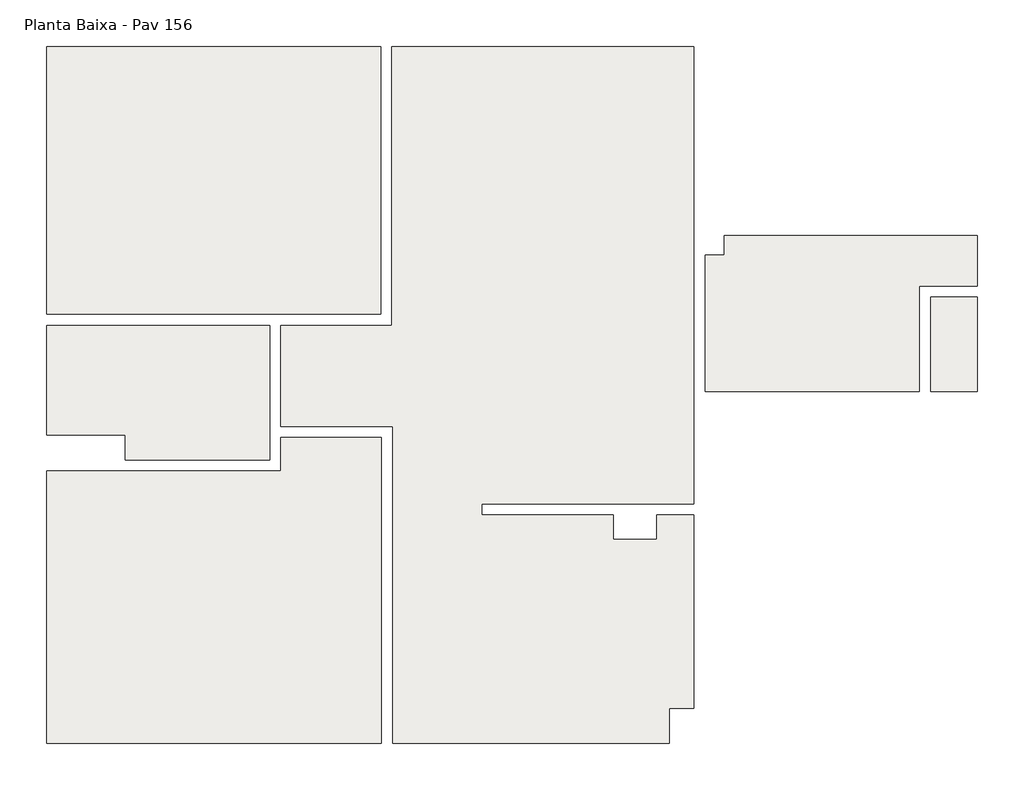
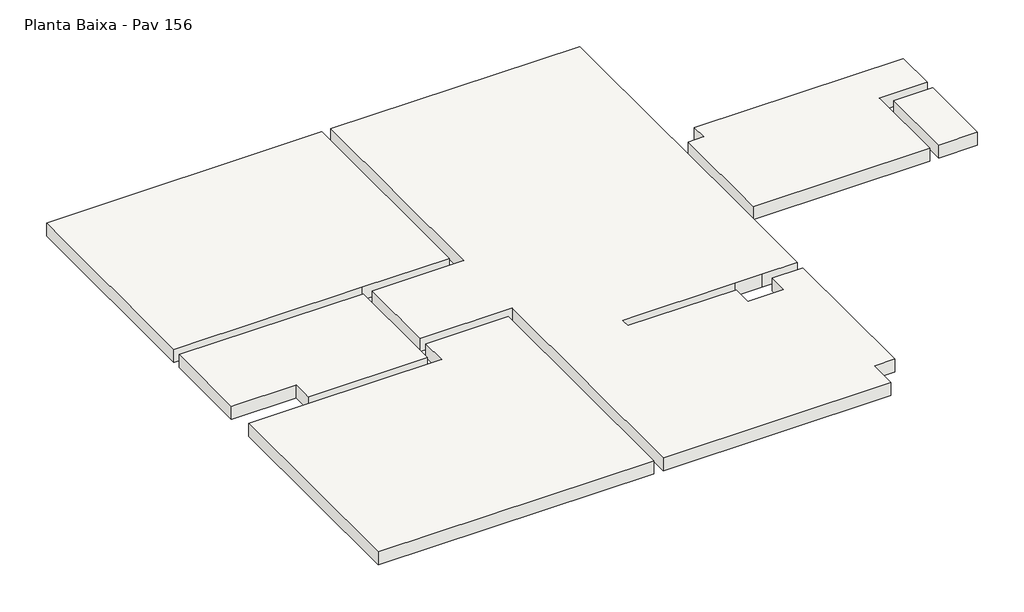
# One storey: 6 slabs.
"""IFC4 building model written with IfcOpenShell, lengths in millimetres."""

from ifc_helpers import new_model, si_unit, frame, origin, place, context, project, spatial, polyline, outline, extrude, element, save

model = new_model("IFC4")

# Units and contexts
model_context = context("Model", 3, world=origin())
ifc_project = project(units=[si_unit("LENGTHUNIT", "METRE", prefix="MILLI")], contexts=[model_context])

# Site, building, storey
site = spatial("IfcSite", under=ifc_project)
building = spatial("IfcBuilding", under=site)
storey = spatial("IfcBuildingStorey", under=building, Name="Planta Baixa - Pav 156", Elevation=0.0)

# Slabs
placement = place(None, origin())
element("IfcSlab", 1, ObjectType="150mm Foundation Slab", at=placement, inside=storey, context=model_context, shape_type="SweptSolid", body=[
    extrude(outline(polyline([(110.6925192, 3929.9696326), (110.6925192, 6329.9696326), (3104.7925174, 6329.9696326), (3104.7925174, 3929.9696326), (2160.6925192, 3929.9696326), (110.6925192, 3929.9696326)])), frame((0.0, 0.0, -150.0), z_axis=(0.0, 0.0, 1.0), x_axis=(1.0, 0.0, 0.0)), (0.0, 0.0, 1.0), 150.0),
])
element("IfcSlab", 2, ObjectType="150mm Foundation Slab", at=placement, inside=storey, context=model_context, shape_type="SweptSolid", body=[
    extrude(outline(polyline([(110.6925192, 84.9696326), (110.6925192, 2522.9598038), (765.6925192, 2522.9598038), (2210.6925192, 2522.9598038), (2210.6925192, 2824.1798197), (3110.6925192, 2824.1798197), (3110.6925192, 84.9696326), (110.6925192, 84.9696326)])), frame((0.0, 0.0, -150.0), z_axis=(0.0, 0.0, 1.0), x_axis=(1.0, 0.0, 0.0)), (0.0, 0.0, 1.0), 150.0),
])
element("IfcSlab", 3, ObjectType="150mm Foundation Slab", at=placement, inside=storey, context=model_context, shape_type="SweptSolid", body=[
    extrude(outline(polyline([(8450.6925192, 4081.7308577), (8450.6925192, 3236.7308577), (8030.6925192, 3236.7308577), (8030.6925192, 4081.7308577), (8450.6925192, 4081.7308577)])), frame((0.0, 0.0, -150.0), z_axis=(0.0, 0.0, 1.0), x_axis=(1.0, 0.0, 0.0)), (0.0, 0.0, 1.0), 150.0),
])
element("IfcSlab", 4, ObjectType="150mm Foundation Slab", at=placement, inside=storey, context=model_context, shape_type="SweptSolid", body=[
    extrude(outline(polyline([(6010.6925192, 3236.7308577), (6010.6925192, 4461.7308577), (6180.6925192, 4461.7308577), (6180.6925192, 4636.7308577), (8450.6925192, 4636.7308577), (8450.6925192, 4181.7308577), (7930.6925192, 4181.7308577), (7930.6925192, 3236.7308577), (6010.6925192, 3236.7308577)])), frame((0.0, 0.0, -150.0), z_axis=(0.0, 0.0, 1.0), x_axis=(1.0, 0.0, 0.0)), (0.0, 0.0, 1.0), 150.0),
])
element("IfcSlab", 5, ObjectType="150mm Foundation Slab", at=placement, inside=storey, context=model_context, shape_type="SweptSolid", body=[
    extrude(outline(polyline([(110.6925192, 2847.9598038), (110.6925192, 3829.9696326), (2110.6925192, 3829.9696326), (2110.6925192, 2874.1798197), (2110.6925192, 2622.9598038), (815.6925192, 2622.9598038), (815.6925192, 2847.9598038), (110.6925192, 2847.9598038)])), frame((0.0, 0.0, -150.0), z_axis=(0.0, 0.0, 1.0), x_axis=(1.0, 0.0, 0.0)), (0.0, 0.0, 1.0), 150.0),
])
element("IfcSlab", 6, ObjectType="150mm Foundation Slab", at=placement, inside=storey, context=model_context, shape_type="SweptSolid", body=[
    extrude(outline(polyline([(5690.0438516, 84.9696326), (3210.6925192, 84.9696326), (3210.6925192, 2924.1798197), (2210.6925192, 2924.1798197), (2210.6925192, 3829.9696326), (3204.7925174, 3829.9696326), (3204.7925174, 6329.9696326), (5910.6925192, 6329.9696326), (5910.6925192, 4686.7308577), (5910.6925192, 4511.7308577), (5910.6925192, 3186.7308577), (5910.6925192, 2229.7066125), (5528.7416726, 2229.7066125), (5235.6925192, 2229.7066125), (4007.8666727, 2229.7066125), (4007.8666727, 2129.7066125), (5185.6925192, 2129.7066125), (5185.6925192, 1909.7066125), (5578.7416726, 1909.7066125), (5578.7416726, 2129.7066125), (5910.6925192, 2129.7066125), (5910.6925192, 397.6384706), (5690.0438516, 397.6384706), (5690.0438516, 84.9696326)])), frame((0.0, 0.0, -150.0), z_axis=(0.0, 0.0, 1.0), x_axis=(1.0, 0.0, 0.0)), (0.0, 0.0, 1.0), 150.0),
])

save(model, "model.ifc")
